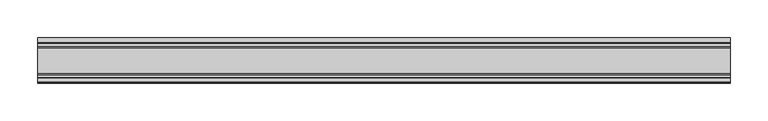
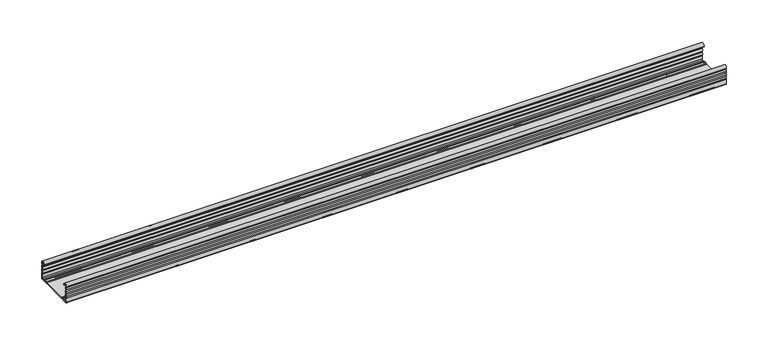
"""IFC4 building model written with IfcOpenShell, lengths in millimetres: proxy geometry."""

from ifc_helpers import new_model, si_unit, point, frame, frame_2d, origin, place, context, project, spatial, polyline, circle_curve, trimmed, segment, composite_curve, outline, extrude, source, transform, mapped, element, save


def generic_models_b85798e0(model_context):
    return source(origin(), model_context, "Body", "SweptSolid", [
        extrude(outline(composite_curve([segment(trimmed(circle_curve(frame_2d((30.75, 21.1911057)), 1.95), [point((29.424, 22.6208693))], [point((29.424, 19.7613421))], True, "CARTESIAN"), True, "CONTINUOUS"), segment(trimmed(circle_curve(frame_2d((28.2, 18.4415603)), 1.8), [point((29.424, 19.7613421))], [point((29.6853338, 17.4248088))], False, "CARTESIAN"), True, "CONTINUOUS"), segment(trimmed(circle_curve(frame_2d((30.75, 15.7911057)), 1.95), [point((29.6853338, 17.4248088))], [point((29.6853338, 14.1574026))], True, "CARTESIAN"), True, "CONTINUOUS"), segment(trimmed(circle_curve(frame_2d((28.2, 13.1406511)), 1.8), [point((29.6853338, 14.1574026))], [point((29.424, 11.8208693))], False, "CARTESIAN"), True, "CONTINUOUS"), segment(trimmed(circle_curve(frame_2d((30.75, 10.3911057)), 1.95), [point((29.424, 11.8208693))], [point((29.424, 8.9613421))], True, "CARTESIAN"), True, "CONTINUOUS"), segment(trimmed(circle_curve(frame_2d((28.2, 7.6415603)), 1.8), [point((29.424, 8.9613421))], [point((30.0, 7.6415603))], False, "CARTESIAN"), True, "CONTINUOUS"), segment(polyline([(30.0, 7.6415603), (30.0, 1.2)]), True, "CONTINUOUS"), segment(trimmed(circle_curve(frame_2d((28.8, 1.2)), 1.2), [point((30.0, 1.2))], [point((28.8, 0.0))], False, "CARTESIAN"), True, "CONTINUOUS"), segment(polyline([(28.8, 0.0), (23.4819519, 0.0)]), True, "CONTINUOUS"), segment(trimmed(circle_curve(frame_2d((23.4819519, 1.8)), 1.8), [point((23.4819519, 0.0))], [point((22.1621701, 0.576))], False, "CARTESIAN"), True, "CONTINUOUS"), segment(trimmed(circle_curve(frame_2d((20.7324065, -0.75)), 1.95), [point((22.1621701, 0.576))], [point((19.3026429, 0.576))], True, "CARTESIAN"), True, "CONTINUOUS"), segment(trimmed(circle_curve(frame_2d((17.9828611, 1.8)), 1.8), [point((19.3026429, 0.576))], [point((17.9828611, 0.0))], False, "CARTESIAN"), True, "CONTINUOUS"), segment(polyline([(17.9828611, 0.0), (-17.9828611, 0.0)]), True, "CONTINUOUS"), segment(trimmed(circle_curve(frame_2d((-17.9828611, 1.8)), 1.8), [point((-17.9828611, 0.0))], [point((-19.3026429, 0.576))], False, "CARTESIAN"), True, "CONTINUOUS"), segment(trimmed(circle_curve(frame_2d((-20.7324065, -0.75)), 1.95), [point((-19.3026429, 0.576))], [point((-22.1621701, 0.576))], True, "CARTESIAN"), True, "CONTINUOUS"), segment(trimmed(circle_curve(frame_2d((-23.4819519, 1.8)), 1.8), [point((-22.1621701, 0.576))], [point((-23.4819519, 0.0))], False, "CARTESIAN"), True, "CONTINUOUS"), segment(polyline([(-23.4819519, 0.0), (-28.8, 0.0)]), True, "CONTINUOUS"), segment(trimmed(circle_curve(frame_2d((-28.8, 1.2)), 1.2), [point((-28.8, 0.0))], [point((-30.0, 1.2))], False, "CARTESIAN"), True, "CONTINUOUS"), segment(polyline([(-30.0, 1.2), (-30.0, 7.6415603)]), True, "CONTINUOUS"), segment(trimmed(circle_curve(frame_2d((-28.2, 7.6415603)), 1.8), [point((-30.0, 7.6415603))], [point((-29.424, 8.9613421))], False, "CARTESIAN"), True, "CONTINUOUS"), segment(trimmed(circle_curve(frame_2d((-30.75, 10.3911057)), 1.95), [point((-29.424, 8.9613421))], [point((-29.424, 11.8208693))], True, "CARTESIAN"), True, "CONTINUOUS"), segment(trimmed(circle_curve(frame_2d((-28.2, 13.1406511)), 1.8), [point((-29.424, 11.8208693))], [point((-29.6853338, 14.1574026))], False, "CARTESIAN"), True, "CONTINUOUS"), segment(trimmed(circle_curve(frame_2d((-30.75, 15.7911057)), 1.95), [point((-29.6853338, 14.1574026))], [point((-29.6853338, 17.4248088))], True, "CARTESIAN"), True, "CONTINUOUS"), segment(trimmed(circle_curve(frame_2d((-28.2, 18.4415603)), 1.8), [point((-29.6853338, 17.4248088))], [point((-29.424, 19.7613421))], False, "CARTESIAN"), True, "CONTINUOUS"), segment(trimmed(circle_curve(frame_2d((-30.75, 21.1911057)), 1.95), [point((-29.424, 19.7613421))], [point((-29.424, 22.6208693))], True, "CARTESIAN"), True, "CONTINUOUS"), segment(trimmed(circle_curve(frame_2d((-28.2, 23.9406511)), 1.8), [point((-29.424, 22.6208693))], [point((-29.9990651, 23.8826448))], False, "CARTESIAN"), True, "CONTINUOUS"), segment(trimmed(circle_curve(frame_2d((-26.8817099, 23.8826448)), 3.1173552), [point((-29.9990651, 23.8826448))], [point((-23.7643548, 23.8826448))], False, "CARTESIAN"), True, "CONTINUOUS"), segment(polyline([(-23.7643548, 23.8826448), (-23.7643548, 23.0407729), (-24.9643548, 23.0407729), (-24.9643548, 23.8826448)]), True, "CONTINUOUS"), segment(trimmed(circle_curve(frame_2d((-26.8817099, 23.8826448)), 1.9173552), [point((-24.9643548, 23.8826448))], [point((-28.7514388, 24.3073386))], True, "CARTESIAN"), True, "CONTINUOUS"), segment(trimmed(circle_curve(frame_2d((-27.7762784, 24.0858388)), 1.0), [point((-28.7514388, 24.3073386))], [point((-28.4928378, 23.3883128))], True, "CARTESIAN"), True, "CONTINUOUS"), segment(trimmed(circle_curve(frame_2d((-30.75, 21.1911057)), 3.15), [point((-28.4928378, 23.3883128))], [point((-28.3578316, 19.1417081))], False, "CARTESIAN"), True, "CONTINUOUS"), segment(trimmed(circle_curve(frame_2d((-27.5984131, 18.4911057)), 1.0), [point((-28.3578316, 19.1417081))], [point((-28.3578316, 17.8405033))], True, "CARTESIAN"), True, "CONTINUOUS"), segment(trimmed(circle_curve(frame_2d((-30.75, 15.7911057)), 3.15), [point((-28.3578316, 17.8405033))], [point((-28.3578316, 13.7417081))], False, "CARTESIAN"), True, "CONTINUOUS"), segment(trimmed(circle_curve(frame_2d((-27.5984131, 13.0911057)), 1.0), [point((-28.3578316, 13.7417081))], [point((-28.3578316, 12.4405033))], True, "CARTESIAN"), True, "CONTINUOUS"), segment(trimmed(circle_curve(frame_2d((-30.75, 10.3911057)), 3.15), [point((-28.3578316, 12.4405033))], [point((-28.3339806, 8.3698808))], False, "CARTESIAN"), True, "CONTINUOUS"), segment(trimmed(circle_curve(frame_2d((-26.8, 7.0865634)), 2.0), [point((-28.3339806, 8.3698808))], [point((-28.8, 7.0865634))], True, "CARTESIAN"), True, "CONTINUOUS"), segment(polyline([(-28.8, 7.0865634), (-28.8, 2.4)]), True, "CONTINUOUS"), segment(trimmed(circle_curve(frame_2d((-27.6, 2.4)), 1.2), [point((-28.8, 2.4))], [point((-27.6, 1.2))], True, "CARTESIAN"), True, "CONTINUOUS"), segment(polyline([(-27.6, 1.2), (-24.382064, 1.2)]), True, "CONTINUOUS"), segment(trimmed(circle_curve(frame_2d((-24.382064, 4.2)), 3.0), [point((-24.382064, 1.2))], [point((-22.6017433, 1.7853659))], True, "CARTESIAN"), True, "CONTINUOUS"), segment(trimmed(circle_curve(frame_2d((-20.7324065, -0.75)), 3.15), [point((-22.6017433, 1.7853659))], [point((-18.8630697, 1.7853659))], False, "CARTESIAN"), True, "CONTINUOUS"), segment(trimmed(circle_curve(frame_2d((-17.082749, 4.2)), 3.0), [point((-18.8630697, 1.7853659))], [point((-17.082749, 1.2))], True, "CARTESIAN"), True, "CONTINUOUS"), segment(polyline([(-17.082749, 1.2), (17.082749, 1.2)]), True, "CONTINUOUS"), segment(trimmed(circle_curve(frame_2d((17.082749, 4.2)), 3.0), [point((17.082749, 1.2))], [point((18.8630697, 1.7853659))], True, "CARTESIAN"), True, "CONTINUOUS"), segment(trimmed(circle_curve(frame_2d((20.7324065, -0.75)), 3.15), [point((18.8630697, 1.7853659))], [point((22.6017433, 1.7853659))], False, "CARTESIAN"), True, "CONTINUOUS"), segment(trimmed(circle_curve(frame_2d((24.382064, 4.2)), 3.0), [point((22.6017433, 1.7853659))], [point((24.382064, 1.2))], True, "CARTESIAN"), True, "CONTINUOUS"), segment(polyline([(24.382064, 1.2), (27.6182196, 1.2)]), True, "CONTINUOUS"), segment(trimmed(circle_curve(frame_2d((27.6182196, 2.3817804)), 1.1817804), [point((27.6182196, 1.2))], [point((28.8, 2.3817804))], True, "CARTESIAN"), True, "CONTINUOUS"), segment(polyline([(28.8, 2.3817804), (28.8, 7.0865634)]), True, "CONTINUOUS"), segment(trimmed(circle_curve(frame_2d((26.8, 7.0865634)), 2.0), [point((28.8, 7.0865634))], [point((28.3339806, 8.3698808))], True, "CARTESIAN"), True, "CONTINUOUS"), segment(trimmed(circle_curve(frame_2d((30.75, 10.3911057)), 3.15), [point((28.3339806, 8.3698808))], [point((28.3578316, 12.4405033))], False, "CARTESIAN"), True, "CONTINUOUS"), segment(trimmed(circle_curve(frame_2d((27.5984131, 13.0911057)), 1.0), [point((28.3578316, 12.4405033))], [point((28.3578316, 13.7417081))], True, "CARTESIAN"), True, "CONTINUOUS"), segment(trimmed(circle_curve(frame_2d((30.75, 15.7911057)), 3.15), [point((28.3578316, 13.7417081))], [point((28.3578316, 17.8405033))], False, "CARTESIAN"), True, "CONTINUOUS"), segment(trimmed(circle_curve(frame_2d((27.5984131, 18.4911057)), 1.0), [point((28.3578316, 17.8405033))], [point((28.3578316, 19.1417081))], True, "CARTESIAN"), True, "CONTINUOUS"), segment(trimmed(circle_curve(frame_2d((30.75, 21.1911057)), 3.15), [point((28.3578316, 19.1417081))], [point((28.4928378, 23.3883128))], False, "CARTESIAN"), True, "CONTINUOUS"), segment(trimmed(circle_curve(frame_2d((27.7762784, 24.0858388)), 1.0), [point((28.4928378, 23.3883128))], [point((28.7514388, 24.3073386))], True, "CARTESIAN"), True, "CONTINUOUS"), segment(trimmed(circle_curve(frame_2d((26.8817099, 23.8826448)), 1.9173552), [point((28.7514388, 24.3073386))], [point((24.9643548, 23.8826448))], True, "CARTESIAN"), True, "CONTINUOUS"), segment(polyline([(24.9643548, 23.8826448), (24.9643548, 23.0407729), (23.7643548, 23.0407729), (23.7643548, 23.8826448)]), True, "CONTINUOUS"), segment(trimmed(circle_curve(frame_2d((26.8817099, 23.8826448)), 3.1173552), [point((23.7643548, 23.8826448))], [point((29.9990651, 23.8826448))], False, "CARTESIAN"), True, "CONTINUOUS"), segment(trimmed(circle_curve(frame_2d((28.2, 23.9406511)), 1.8), [point((29.9990651, 23.8826448))], [point((29.424, 22.6208693))], False, "CARTESIAN"), True, "CONTINUOUS")], self_intersect=False)), frame((-458.4497712, 0.0, 0.0), z_axis=(1.0, 0.0, 0.0), x_axis=(0.0, 1.0, 0.0)), (0.0, 0.0, 1.0), 916.8995423),
    ])


if __name__ == "__main__":
    model = new_model("IFC4")
    model_context = context("Model", 3, world=origin())
    ifc_project = project(units=[si_unit("LENGTHUNIT", "METRE", prefix="MILLI")], contexts=[model_context])
    site = spatial("IfcSite", under=ifc_project)
    building = spatial("IfcBuilding", under=site)
    placement = place(None, origin())
    generic_models_shape = generic_models_b85798e0(model_context)
    element("IfcBuildingElementProxy", 1, Name="Generic Models", at=placement, inside=building, context=model_context, shape_type="MappedRepresentation", body=[
        mapped(generic_models_shape, transform((0.0, 0.0, 0.0), x_axis=(1.0, 0.0, 0.0), y_axis=(0.0, 1.0, 0.0), z_axis=(0.0, 0.0, 1.0))),
    ])
    save(model, "model.ifc")
